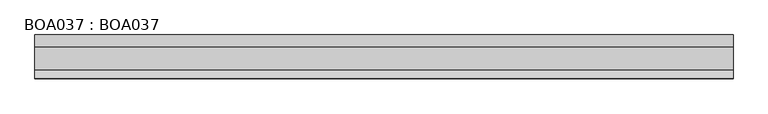
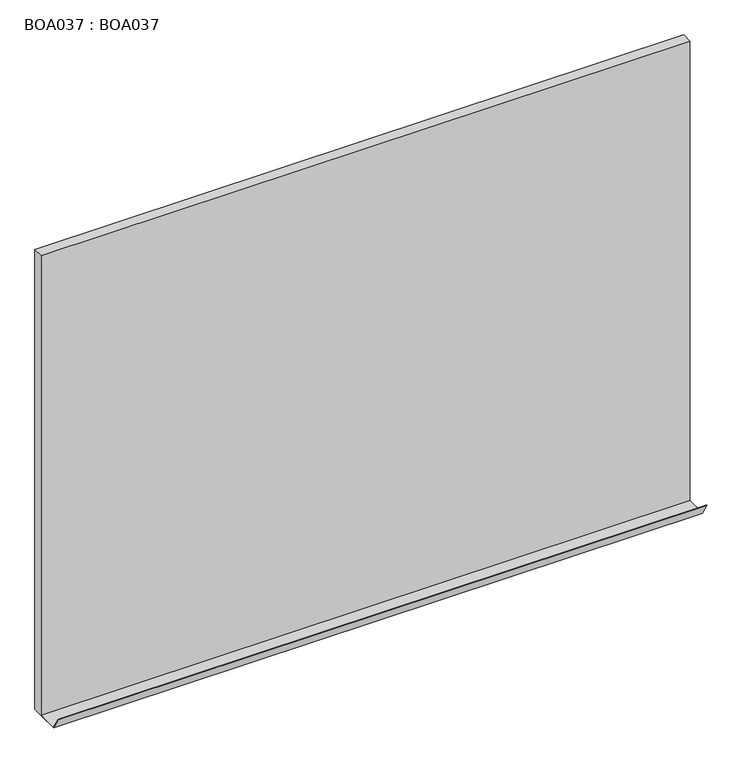
"""IFC4 building model written with IfcOpenShell, lengths in millimetres: proxy geometry, BOA037 : BOA037."""

from ifc_helpers import new_model, si_unit, frame, origin, place, context, project, spatial, polyline, outline, extrude, source, transform, mapped, element, save


def boa037_boa037_acdd95b0(model_context):
    return source(origin(), model_context, "Body", "SweptSolid", [
        extrude(outline(polyline([(-59.9999986, 0.0), (-75.0000006, 25.0000002), (-74.0496766, 25.3458898), (-59.4547896, 1.0210811), (-20.0000011, 1.0210811), (-20.0000011, 900.0), (0.0, 900.0), (0.0, 0.0), (-20.0000011, 0.0), (-59.9999986, 0.0)])), frame((0.0, 0.0, 0.0), z_axis=(1.0, 0.0, 0.0), x_axis=(0.0, 1.0, 0.0)), (0.0, 0.0, 1.0), 1200.0000092),
    ])


if __name__ == "__main__":
    model = new_model("IFC4")
    model_context = context("Model", 3, world=origin())
    ifc_project = project(units=[si_unit("LENGTHUNIT", "METRE", prefix="MILLI")], contexts=[model_context])
    site = spatial("IfcSite", under=ifc_project)
    building = spatial("IfcBuilding", under=site)
    placement = place(None, origin())
    boa037_boa037_shape = boa037_boa037_acdd95b0(model_context)
    element("IfcBuildingElementProxy", 1, Name="BOA037 : BOA037", ObjectType="BOA037 : BOA037", at=placement, inside=building, context=model_context, shape_type="MappedRepresentation", body=[
        mapped(boa037_boa037_shape, transform((0.0, 0.0, 0.0), x_axis=(1.0, 0.0, 0.0), y_axis=(0.0, 1.0, 0.0), z_axis=(0.0, 0.0, 1.0))),
    ])
    save(model, "model.ifc")
